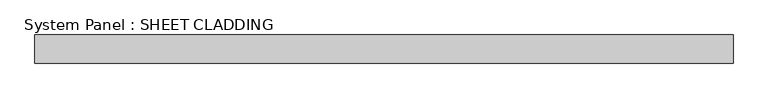
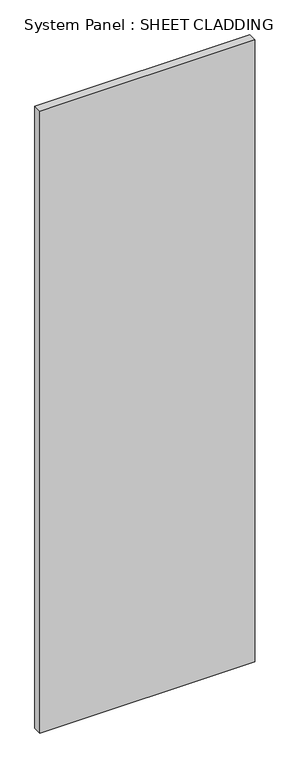
"""IFC4 building model written with IfcOpenShell, lengths in millimetres: plate geometry, System Panel : SHEET CLADDING."""

import ifcopenshell
import ifcopenshell.guid

model = None  # the IFC model being written
_history = None  # IfcOwnerHistory: only IFC2X3 demands one
_inside = {}  # id of a spatial element -> (the spatial element, [elements in it])
_under = {}  # id of a project, library or spatial element -> (it, [spatial elements below it])
_declared = {}  # id of a project -> (the project, [libraries it declares])
_typed = {}  # id of a type object -> (the type object, [elements of that type])
_made_of = {}  # id of a material, layer set ... -> (it, [elements and type objects made of it])


def new_model(schema):
    """Start an empty IFC model of exactly this schema.

    Asked for "IFC4X3", IfcOpenShell would pick the latest addendum, in which some entities
    have other attributes; the version numbers below select the first issue.
    IFC2X3 requires an IfcOwnerHistory on every rooted entity: one is made here for all.
    """
    global model, _history
    if schema == "IFC4X3":
        model = ifcopenshell.file(schema_version=(4, 3, 0, 0))
    else:
        model = ifcopenshell.file(schema=schema)
    _inside.clear()
    _under.clear()
    _declared.clear()
    _typed.clear()
    _made_of.clear()
    _history = None
    if model.schema == "IFC2X3":
        org = make("IfcOrganization", Name="unknown")
        user = make(
            "IfcPersonAndOrganization",
            ThePerson=make("IfcPerson", FamilyName="unknown"),
            TheOrganization=org,
        )
        app = make(
            "IfcApplication",
            ApplicationDeveloper=org,
            Version="unknown",
            ApplicationFullName="unknown",
            ApplicationIdentifier="unknown",
        )
        _history = make(
            "IfcOwnerHistory",
            OwningUser=user,
            OwningApplication=app,
            ChangeAction="ADDED",
            CreationDate=0,
        )
    return model


def make(cls, **values):
    """One entity of the class cls with the attributes given. An attribute that is None is left unset."""
    return model.create_entity(
        cls, **{name: value for name, value in values.items() if value is not None}
    )


def rooted(cls, **values):
    """An entity with a GlobalId (a new one), such as an element, a storey or a relation."""
    return make(cls, GlobalId=ifcopenshell.guid.new(), OwnerHistory=_history, **values)


def si_unit(unit_type, name, prefix=None):
    """IfcSIUnit, for example si_unit("LENGTHUNIT", "METRE", prefix="MILLI")."""
    return make("IfcSIUnit", UnitType=unit_type, Prefix=prefix, Name=name)


def assignment(units):
    """IfcUnitAssignment: the units of a project."""
    return None if units is None else make("IfcUnitAssignment", Units=units)


def point(xyz):
    """IfcCartesianPoint."""
    return None if xyz is None else make("IfcCartesianPoint", Coordinates=xyz)


def direction(xyz):
    """IfcDirection."""
    return None if xyz is None else make("IfcDirection", DirectionRatios=xyz)


def frame(location, z_axis=None, x_axis=None):
    """IfcAxis2Placement3D, a coordinate frame: its origin and axes. An axis left out is left unset."""
    return make(
        "IfcAxis2Placement3D",
        Location=point(location),
        Axis=direction(z_axis),
        RefDirection=direction(x_axis),
    )


def origin():
    """The frame at (0, 0, 0) with its axes left unset."""
    return frame((0.0, 0.0, 0.0))


def origin_with_axes():
    """The frame at (0, 0, 0) with the z axis (0, 0, 1) and the x axis (1, 0, 0) written out."""
    return frame((0.0, 0.0, 0.0), z_axis=(0.0, 0.0, 1.0), x_axis=(1.0, 0.0, 0.0))


def place(relative_to, where):
    """IfcLocalPlacement: puts the frame where relative to a parent placement (None: the world)."""
    return make(
        "IfcLocalPlacement", PlacementRelTo=relative_to, RelativePlacement=where
    )


def context(
    kind, dimensions, precision=None, world=None, true_north=None, identifier=None
):
    """IfcGeometricRepresentationContext, for example the 3D "Model" context."""
    return make(
        "IfcGeometricRepresentationContext",
        ContextIdentifier=identifier,
        ContextType=kind,
        CoordinateSpaceDimension=dimensions,
        Precision=precision,
        WorldCoordinateSystem=world,
        TrueNorth=true_north,
    )


def project(units=None, contexts=None):
    """IfcProject with its units and contexts."""
    return rooted(
        "IfcProject",
        Name="project",
        RepresentationContexts=contexts,
        UnitsInContext=assignment(units),
    )


def spatial(cls, under=None, at=None, **own):
    """A site, building, storey or space (cls), placed at a placement, below another one or the project."""
    s = rooted(cls, ObjectPlacement=at, **own)
    if under is not None:
        _under.setdefault(under.id(), (under, []))[1].append(s)
    return s


def polyline(points):
    """IfcPolyline through the points."""
    return make("IfcPolyline", Points=[point(p) for p in points])


def outline(outer, holes=None, kind="AREA"):
    """IfcArbitraryClosedProfileDef: a profile drawn as a closed curve; with holes, ...WithVoids."""
    if holes is None:
        return make("IfcArbitraryClosedProfileDef", ProfileType=kind, OuterCurve=outer)
    return make(
        "IfcArbitraryProfileDefWithVoids",
        ProfileType=kind,
        OuterCurve=outer,
        InnerCurves=holes,
    )


def extrude(swept, where, along, depth):
    """IfcExtrudedAreaSolid: the profile swept, set in the frame where, extruded along a direction by depth."""
    return make(
        "IfcExtrudedAreaSolid",
        SweptArea=swept,
        Position=where,
        ExtrudedDirection=direction(along),
        Depth=depth,
    )


def shape(context_of_items, identifier, shape_type, items):
    """IfcShapeRepresentation: the items that make up one representation, for example the "Body"."""
    return make(
        "IfcShapeRepresentation",
        ContextOfItems=context_of_items,
        RepresentationIdentifier=identifier,
        RepresentationType=shape_type,
        Items=items,
    )


def source(mapping_origin, context_of_items, identifier, shape_type, items):
    """IfcRepresentationMap: a shape defined once, which mapped items show again and again."""
    return make(
        "IfcRepresentationMap",
        MappingOrigin=mapping_origin,
        MappedRepresentation=shape(context_of_items, identifier, shape_type, items),
    )


def transform(
    local_origin,
    x_axis=None,
    y_axis=None,
    z_axis=None,
    scale=None,
    scale2=None,
    scale3=None,
    uniform=True,
):
    """IfcCartesianTransformationOperator3D, or its non-uniform kind. x_axis, y_axis, z_axis: its Axis1, 2, 3."""
    if uniform:
        return make(
            "IfcCartesianTransformationOperator3D",
            Axis1=direction(x_axis),
            Axis2=direction(y_axis),
            LocalOrigin=point(local_origin),
            Scale=scale,
            Axis3=direction(z_axis),
        )
    return make(
        "IfcCartesianTransformationOperator3DnonUniform",
        Axis1=direction(x_axis),
        Axis2=direction(y_axis),
        LocalOrigin=point(local_origin),
        Scale=scale,
        Axis3=direction(z_axis),
        Scale2=scale2,
        Scale3=scale3,
    )


def mapped(mapping_source, mapping_target):
    """IfcMappedItem: shows the shape of a source again, moved by a transform."""
    return make(
        "IfcMappedItem", MappingSource=mapping_source, MappingTarget=mapping_target
    )


def made_of(thing, what):
    """Note that an element or type object is made of a material, layer set ...; save() writes the relation."""
    if what is not None:
        _made_of.setdefault(what.id(), (what, []))[1].append(thing)
    return thing


def element(
    cls,
    number,
    at=None,
    inside=None,
    cuts=None,
    type_object=None,
    material=None,
    context=None,
    identifier="Body",
    shape_type=None,
    held_by="IfcProductDefinitionShape",
    body=None,
    shapes=None,
    **own,
):
    """One element of the class cls, such as IfcWall. Its Tag is "e" and its number.

    at: its placement. inside: the storey or other place that contains it. cuts: it is an
    opening in that element (IfcRelVoidsElement). A single representation is given by context,
    identifier, shape_type and body (its items); several are given by shapes. held_by: the class
    of the entity that holds the representations. save() writes the other relations.
    """
    e = rooted(cls, Tag="e%d" % number, ObjectPlacement=at, **own)
    if body is not None:
        shapes = [shape(context, identifier, shape_type, body)]
    if shapes is not None:
        e.Representation = make(held_by, Representations=shapes)
    if inside is not None:
        _inside.setdefault(inside.id(), (inside, []))[1].append(e)
    if cuts is not None:
        rooted(
            "IfcRelVoidsElement", RelatingBuildingElement=cuts, RelatedOpeningElement=e
        )
    if type_object is not None:
        _typed.setdefault(type_object.id(), (type_object, []))[1].append(e)
    return made_of(e, material)


def aggregate(whole, parts):
    """IfcRelAggregates: a whole, such as a stair, and the parts it consists of."""
    return rooted("IfcRelAggregates", RelatingObject=whole, RelatedObjects=parts)


def save(model, path):
    """Write the relations noted so far, then the file.

    IfcRelAggregates (storeys below a building ...), IfcRelContainedInSpatialStructure (elements
    in a storey), IfcRelDefinesByType, IfcRelAssociatesMaterial and IfcRelDeclares: one each for
    every whole, place, type object, material and project.
    """
    for whole, parts in _under.values():
        aggregate(whole, parts)
    for where, things in _inside.values():
        rooted(
            "IfcRelContainedInSpatialStructure",
            RelatedElements=things,
            RelatingStructure=where,
        )
    for kind, things in _typed.values():
        rooted("IfcRelDefinesByType", RelatedObjects=things, RelatingType=kind)
    for what, things in _made_of.values():
        rooted("IfcRelAssociatesMaterial", RelatedObjects=things, RelatingMaterial=what)
    for by, libraries in _declared.values():
        rooted("IfcRelDeclares", RelatingContext=by, RelatedDefinitions=libraries)
    model.write(path)


def system_panel_sheet_cladding_76e5736a(model_context):
    return source(origin(), model_context, "Body", "SweptSolid", [
        extrude(outline(polyline([(735.4591838, -10.5), (-735.4591838, -10.5), (-735.4591838, 49.5), (735.4591838, 49.5), (735.4591838, -10.5)])), origin_with_axes(), (0.0, 0.0, 1.0), 4500.0),
    ])


if __name__ == "__main__":
    model = new_model("IFC4")
    model_context = context("Model", 3, world=origin())
    ifc_project = project(units=[si_unit("LENGTHUNIT", "METRE", prefix="MILLI")], contexts=[model_context])
    site = spatial("IfcSite", under=ifc_project)
    building = spatial("IfcBuilding", under=site)
    placement = place(None, origin())
    system_panel_sheet_cladding_shape = system_panel_sheet_cladding_76e5736a(model_context)
    element("IfcPlate", 1, ObjectType="System Panel : SHEET CLADDING", at=placement, inside=building, context=model_context, shape_type="MappedRepresentation", body=[
        mapped(system_panel_sheet_cladding_shape, transform((0.0, 0.0, 0.0), x_axis=(1.0, 0.0, 0.0), y_axis=(0.0, 1.0, 0.0), z_axis=(0.0, 0.0, 1.0))),
    ])
    save(model, "model.ifc")
